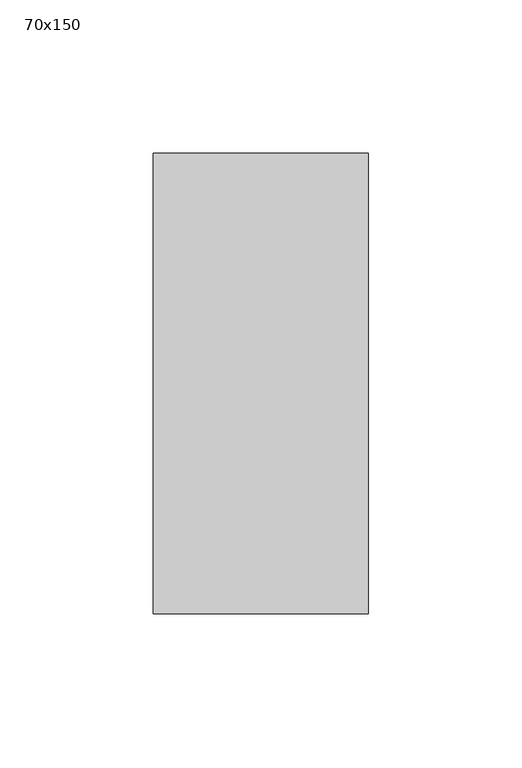
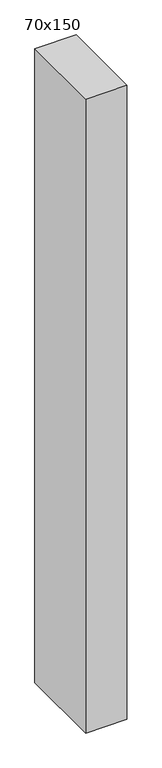
"""IFC4 building model written with IfcOpenShell, lengths in millimetres: member geometry, 70x150."""

from ifc_helpers import new_model, si_unit, frame, origin, place, context, project, spatial, polyline, outline, extrude, source, transform, mapped, element, save


def member_70x150_30001a1b(model_context):
    return source(origin(), model_context, "Body", "SweptSolid", [
        extrude(outline(polyline([(0.0, 75.0), (0.0, -75.0), (-70.0, -75.0), (-70.0, 75.0), (0.0, 75.0)])), frame((0.0, 0.0, -1141.6408833), z_axis=(0.0, 0.0, 1.0), x_axis=(1.0, 0.0, 0.0)), (0.0, 0.0, 1.0), 1141.6408833),
    ])


if __name__ == "__main__":
    model = new_model("IFC4")
    model_context = context("Model", 3, world=origin())
    ifc_project = project(units=[si_unit("LENGTHUNIT", "METRE", prefix="MILLI")], contexts=[model_context])
    site = spatial("IfcSite", under=ifc_project)
    building = spatial("IfcBuilding", under=site)
    placement = place(None, origin())
    member_70x150_shape = member_70x150_30001a1b(model_context)
    element("IfcMember", 1, ObjectType="70x150", at=placement, inside=building, context=model_context, shape_type="MappedRepresentation", body=[
        mapped(member_70x150_shape, transform((0.0, 0.0, 0.0), x_axis=(1.0, 0.0, 0.0), y_axis=(0.0, 1.0, 0.0), z_axis=(0.0, 0.0, 1.0))),
    ])
    save(model, "model.ifc")
